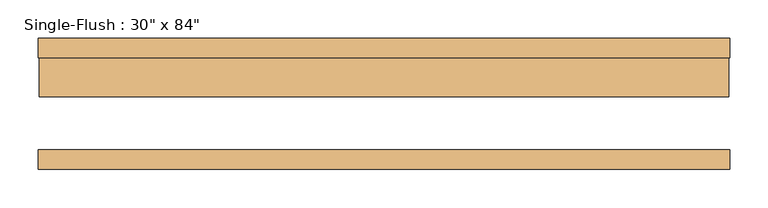
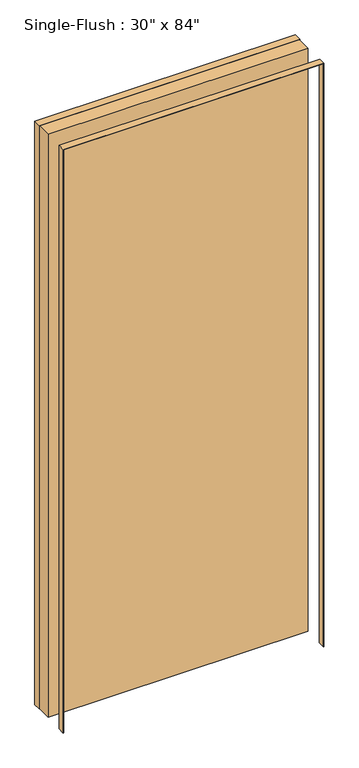
"""IFC4 building model written with IfcOpenShell, lengths in millimetres: door geometry."""

from ifc_helpers import new_model, si_unit, frame, origin, origin_with_axes, place, context, project, spatial, polyline, outline, extrude, source, transform, mapped, element, save


def door_01576c9b(model_context):
    return source(origin(), model_context, "Body", "SweptSolid", [
        extrude(outline(polyline([(2135.1875, -451.5875), (0.0, -451.5875), (0.0, -450.0), (2133.6, -450.0), (2133.6, 450.0), (0.0, 450.0), (0.0, 451.5875), (2135.1875, 451.5875), (2135.1875, -451.5875)])), frame((0.0, 60.0, 0.0), z_axis=(0.0, 1.0, 0.0), x_axis=(0.0, 0.0, 1.0)), (0.0, 0.0, 1.0), 25.4),
        extrude(outline(polyline([(2135.1875, 451.5875), (2135.1875, -451.5875), (0.0, -451.5875), (0.0, -450.0), (2133.6, -450.0), (2133.6, 450.0), (0.0, 450.0), (0.0, 451.5875), (2135.1875, 451.5875)])), frame((0.0, -85.4, 0.0), z_axis=(0.0, 1.0, 0.0), x_axis=(0.0, 0.0, 1.0)), (0.0, 0.0, 1.0), 25.4),
        extrude(outline(polyline([(450.0, 9.2), (-450.0, 9.2), (-450.0, 60.0), (450.0, 60.0), (450.0, 9.2)])), origin_with_axes(), (0.0, 0.0, 1.0), 2133.6),
    ])


if __name__ == "__main__":
    model = new_model("IFC4")
    model_context = context("Model", 3, world=origin())
    ifc_project = project(units=[si_unit("LENGTHUNIT", "METRE", prefix="MILLI")], contexts=[model_context])
    site = spatial("IfcSite", under=ifc_project)
    building = spatial("IfcBuilding", under=site)
    placement = place(None, origin())
    door_shape = door_01576c9b(model_context)
    element("IfcDoor", 1, ObjectType="Single-Flush : 30\" x 84\"", at=placement, inside=building, context=model_context, shape_type="MappedRepresentation", body=[
        mapped(door_shape, transform((0.0, 0.0, 0.0), x_axis=(1.0, 0.0, 0.0), y_axis=(0.0, 1.0, 0.0), z_axis=(0.0, 0.0, 1.0))),
    ])
    save(model, "model.ifc")
